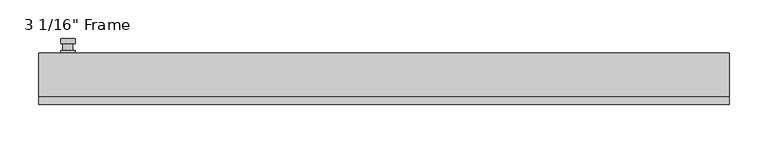
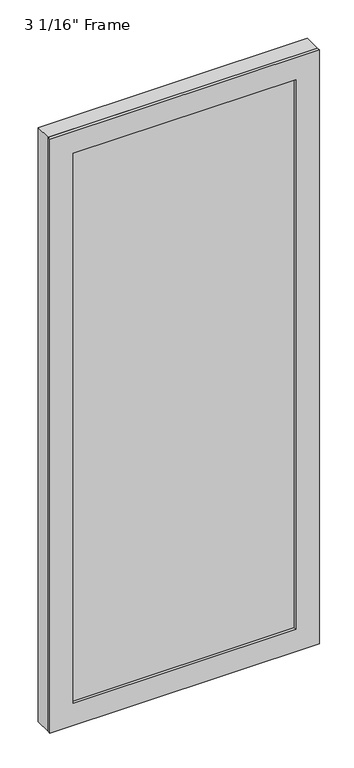
"""IFC4 building model written with IfcOpenShell, lengths in millimetres: plate geometry."""

from ifc_helpers import new_model, si_unit, frame, origin, place, context, project, spatial, polyline, circle_curve, outline, extrude, faceted_brep, source, transform, mapped, element, save
from ifc_brep_helpers import plane_surface, cylinder_surface, advanced_brep


def plate_0dfdc021(model_context):
    return source(origin(), model_context, "Body", "SolidModel", [
        advanced_brep(
        [(-400.685, 33.3375, 927.1), (-419.735, 33.3375, 927.1), (-419.735, 33.3375, 901.7), (-400.685, 33.3375, 901.7), (-403.86, 46.0375, 914.4), (-403.86, 36.5125, 914.4), (-416.56, 36.5125, 914.4), (-416.56, 46.0375, 914.4), (-400.685, 46.0375, 914.4), (-419.735, 46.0375, 914.4), (-416.5559644, 46.0375, 825.2736467), (-403.8640356, 46.0375, 825.2736467), (-400.685, 52.3875, 914.4), (-403.8640356, 52.3875, 825.2736467), (-416.5559644, 52.3875, 825.2736467), (-419.735, 52.3875, 914.4), (-400.685, 36.5125, 927.1), (-400.685, 36.5125, 901.7), (-419.735, 36.5125, 901.7), (-419.735, 36.5125, 927.1)],
        [
            (0, 1, circle_curve(frame((-410.21, 33.3375, 927.1), z_axis=(0.0, -1.0, 0.0), x_axis=(-1.0, 0.0, 0.0)), 9.525)),
            (1, 2),
            (2, 3, circle_curve(frame((-410.21, 33.3375, 901.7), z_axis=(0.0, -1.0, 0.0), x_axis=(-1.0, 0.0, 0.0)), 9.525)),
            (3, 0),
            (4, 5),
            (5, 6, circle_curve(frame((-410.21, 36.5125, 914.4), z_axis=(0.0, 1.0, 0.0), x_axis=(-1.0, 0.0, 0.0)), 6.35)),
            (6, 7),
            (7, 4, circle_curve(frame((-410.21, 46.0375, 914.4), z_axis=(0.0, -1.0, 0.0), x_axis=(-1.0, 0.0, 0.0)), 6.35)),
            (6, 5, circle_curve(frame((-410.21, 36.5125, 914.4), z_axis=(0.0, 1.0, 0.0), x_axis=(-1.0, 0.0, 0.0)), 6.35)),
            (4, 7, circle_curve(frame((-410.21, 46.0375, 914.4), z_axis=(0.0, -1.0, 0.0), x_axis=(-1.0, 0.0, 0.0)), 6.35)),
            (8, 9, circle_curve(frame((-410.21, 46.0375, 914.4), z_axis=(0.0, -1.0, 0.0), x_axis=(-1.0, 0.0, 0.0)), 9.525)),
            (9, 10),
            (10, 11, circle_curve(frame((-410.21, 46.0375, 825.5), z_axis=(0.0, -1.0, 0.0), x_axis=(-1.0, 0.0, 0.0)), 6.35)),
            (11, 8),
            (12, 13),
            (13, 14, circle_curve(frame((-410.21, 52.3875, 825.5), z_axis=(0.0, 1.0, 0.0), x_axis=(-1.0, 0.0, 0.0)), 6.35)),
            (14, 15),
            (15, 12, circle_curve(frame((-410.21, 52.3875, 914.4), z_axis=(0.0, 1.0, 0.0), x_axis=(-1.0, 0.0, 0.0)), 9.525)),
            (11, 13),
            (12, 8),
            (10, 14),
            (9, 15),
            (16, 17),
            (17, 18, circle_curve(frame((-410.21, 36.5125, 901.7), z_axis=(0.0, 1.0, 0.0), x_axis=(-1.0, 0.0, 0.0)), 9.525)),
            (18, 19),
            (19, 16, circle_curve(frame((-410.21, 36.5125, 927.1), z_axis=(0.0, 1.0, 0.0), x_axis=(-1.0, 0.0, 0.0)), 9.525)),
            (3, 17),
            (16, 0),
            (2, 18),
            (1, 19),
        ],
        [
            plane_surface(frame((-416.56, 33.3375, 914.4), z_axis=(0.0, -1.0, 0.0), x_axis=(0.0, 0.0, 1.0))),
            cylinder_surface(frame((-410.21, 46.0375, 914.4), z_axis=(0.0, -1.0, 0.0), x_axis=(-1.0, 0.0, 0.0)), 6.35),
            plane_surface(frame((-400.685, 46.0375, 914.4), z_axis=(0.0, -1.0000000000000002, 0.0), x_axis=(-0.03564619348186888, 0.0, -0.9993644724975235))),
            plane_surface(frame((-400.685, 52.3875, 914.4), z_axis=(0.0, 1.0000000000000002, 0.0), x_axis=(0.03564619348186888, 0.0, 0.9993644724975235))),
            plane_surface(frame((-400.685, 46.0375, 914.4), z_axis=(0.9993644724975235, 0.0, -0.03564619348186888), x_axis=(0.0, 1.0, 0.0))),
            cylinder_surface(frame((-410.21, 52.3875, 825.5), z_axis=(0.0, -1.0, 0.0), x_axis=(-1.0, 0.0, 0.0)), 6.35),
            plane_surface(frame((-416.5559644, 46.0375, 825.2736467), z_axis=(-0.9993644724975228, 0.0, -0.03564619348188612), x_axis=(0.0, 1.0, 0.0))),
            cylinder_surface(frame((-410.21, 52.3875, 914.4), z_axis=(0.0, -1.0, 0.0), x_axis=(-1.0, 0.0, 0.0)), 9.525),
            plane_surface(frame((-400.685, 36.5125, 901.7), z_axis=(0.0, 1.0, 0.0), x_axis=(0.0, 0.0, 1.0))),
            plane_surface(frame((-400.685, 33.3375, 927.1), z_axis=(1.0, 0.0, 0.0), x_axis=(0.0, 1.0, 0.0))),
            cylinder_surface(frame((-410.21, 36.5125, 901.7), z_axis=(0.0, -1.0, 0.0), x_axis=(-1.0, 0.0, 0.0)), 9.525),
            plane_surface(frame((-419.735, 33.3375, 901.7), z_axis=(-1.0, 0.0, 0.0), x_axis=(0.0, 1.0, 0.0))),
            cylinder_surface(frame((-410.21, 36.5125, 927.1), z_axis=(0.0, -1.0, 0.0), x_axis=(-1.0, 0.0, 0.0)), 9.525),
        ],
        [
            (0, [[1, 2, 3, 4]]),
            (1, [[5, 6, 7, 8]]),
            (1, [[-7, 9, -5, 10]]),
            (2, [[11, 12, 13, 14], [-10, -8]]),
            (3, [[15, 16, 17, 18]]),
            (4, [[19, -15, 20, -14]]),
            (5, [[21, -16, -19, -13]]),
            (6, [[22, -17, -21, -12]]),
            (7, [[-20, -18, -22, -11]]),
            (8, [[23, 24, 25, 26], [-9, -6]]),
            (9, [[27, -23, 28, -4]]),
            (10, [[29, -24, -27, -3]]),
            (11, [[30, -25, -29, -2]]),
            (12, [[-28, -26, -30, -1]]),
        ],
    ),
        extrude(outline(polyline([(0.0, 448.31), (2087.5625, 448.31), (2087.5625, -448.31), (0.0, -448.31), (0.0, 448.31)]), holes=[polyline([(2009.775, -370.5225), (2009.775, 370.5225), (77.7875, 370.5225), (77.7875, -370.5225), (2009.775, -370.5225)])]), frame((0.0, -33.3375, 0.0), z_axis=(0.0, 1.0, 0.0), x_axis=(0.0, 0.0, 1.0)), (0.0, 0.0, 1.0), 9.525),
        faceted_brep([(-448.31, 33.3375, 0.0), (448.31, 33.3375, 0.0), (448.31, -23.8125, 0.0), (-448.31, -23.8125, 0.0), (-448.31, -23.8125, 2087.5625), (-448.31, 33.3375, 2087.5625), (448.31, -23.8125, 2087.5625), (-383.2225, -23.8125, 2022.475), (383.2225, -23.8125, 2022.475), (383.2225, -23.8125, 65.0875), (-383.2225, -23.8125, 65.0875), (-383.2225, 0.0, 65.0875), (-383.2225, 0.0, 2022.475), (383.2225, 0.0, 65.0875), (383.2225, 0.0, 2022.475), (-370.5225, 0.0, 2009.775), (370.5225, 0.0, 2009.775), (370.5225, 0.0, 77.7875), (-370.5225, 0.0, 77.7875), (-376.8725, 33.3375, 71.4375), (-376.8725, 33.3375, 2016.125), (448.31, 33.3375, 2087.5625), (376.8725, 33.3375, 2016.125), (376.8725, 33.3375, 71.4375)], [[[0, 1, 2, 3]], [[3, 4, 5, 0]], [[2, 6, 4, 3], [7, 8, 9, 10]], [[7, 10, 11, 12]], [[12, 11, 13, 14], [15, 16, 17, 18]], [[15, 18, 19, 20]], [[5, 21, 1, 0], [22, 20, 19, 23]], [[4, 6, 21, 5]], [[7, 12, 14, 8]], [[15, 20, 22, 16]], [[2, 1, 21, 6]], [[13, 9, 8, 14]], [[22, 23, 17, 16]], [[19, 18, 17, 23]], [[9, 13, 11, 10]]]),
        extrude(outline(polyline([(383.2225, 0.0), (383.2225, -23.8125), (-383.2225, -23.8125), (-383.2225, 0.0), (383.2225, 0.0)])), frame((0.0, 0.0, 65.0875), z_axis=(0.0, 0.0, 1.0), x_axis=(1.0, 0.0, 0.0)), (0.0, 0.0, 1.0), 1957.3875),
    ])


if __name__ == "__main__":
    model = new_model("IFC4")
    model_context = context("Model", 3, world=origin())
    ifc_project = project(units=[si_unit("LENGTHUNIT", "METRE", prefix="MILLI")], contexts=[model_context])
    site = spatial("IfcSite", under=ifc_project)
    building = spatial("IfcBuilding", under=site)
    placement = place(None, origin())
    plate_shape = plate_0dfdc021(model_context)
    element("IfcPlate", 1, ObjectType="3 1/16\" Frame", at=placement, inside=building, context=model_context, shape_type="MappedRepresentation", body=[
        mapped(plate_shape, transform((0.0, 0.0, 0.0), x_axis=(1.0, 0.0, 0.0), y_axis=(0.0, 1.0, 0.0), z_axis=(0.0, 0.0, 1.0))),
    ])
    save(model, "model.ifc")
